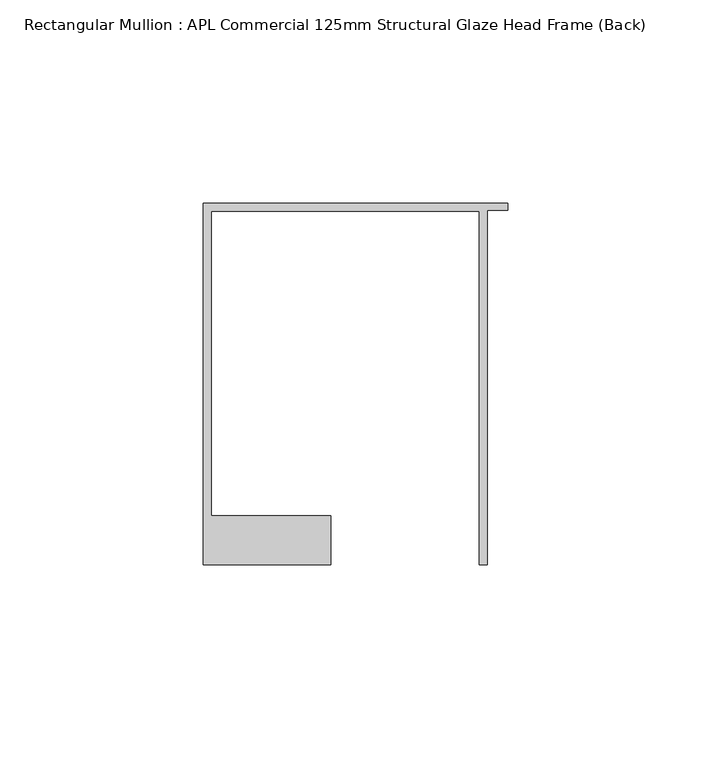
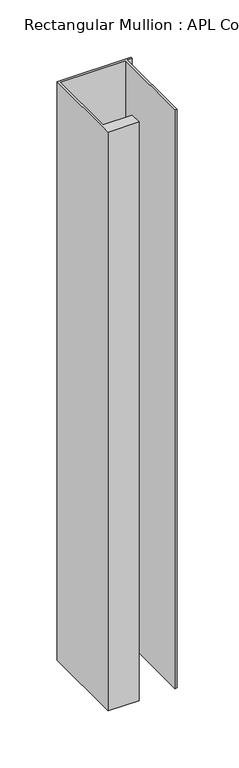
"""IFC4 building model written with IfcOpenShell, lengths in millimetres: member geometry, Rectangular Mullion : APL Commercial 125mm Structural Glaze Head Frame (Back)."""

from ifc_helpers import new_model, si_unit, frame, origin, place, context, project, spatial, polyline, outline, extrude, source, transform, mapped, element, save


def rectangular_mullion_apl_commercial_125mm_structural_glaze_cf20e647(model_context):
    return source(origin(), model_context, "Body", "SweptSolid", [
        extrude(outline(polyline([(-75.0, 103.9993063), (0.0, 103.9993063), (0.0, 102.1993063), (-5.0, 102.1993063), (-5.0, 14.9998342), (-7.0, 14.9998342), (-7.0, 101.9993063), (-73.0, 101.9993063), (-73.0, 26.9997514), (-43.5000151, 26.9997514), (-43.5000151, 14.9998342), (-75.0, 14.9998342), (-75.0, 103.9993063)])), frame((0.0, 0.0, -617.9999782), z_axis=(0.0, 0.0, 1.0), x_axis=(1.0, 0.0, 0.0)), (0.0, 0.0, 1.0), 617.9999782),
    ])


if __name__ == "__main__":
    model = new_model("IFC4")
    model_context = context("Model", 3, world=origin())
    ifc_project = project(units=[si_unit("LENGTHUNIT", "METRE", prefix="MILLI")], contexts=[model_context])
    site = spatial("IfcSite", under=ifc_project)
    building = spatial("IfcBuilding", under=site)
    placement = place(None, origin())
    rectangular_mullion_apl_commercial_125mm_structural_glaze_shape = rectangular_mullion_apl_commercial_125mm_structural_glaze_cf20e647(model_context)
    element("IfcMember", 1, ObjectType="Rectangular Mullion : APL Commercial 125mm Structural Glaze Head Frame (Back)", at=placement, inside=building, context=model_context, shape_type="MappedRepresentation", body=[
        mapped(rectangular_mullion_apl_commercial_125mm_structural_glaze_shape, transform((0.0, 0.0, 0.0), x_axis=(1.0, 0.0, 0.0), y_axis=(0.0, 1.0, 0.0), z_axis=(0.0, 0.0, 1.0))),
    ])
    save(model, "model.ifc")
